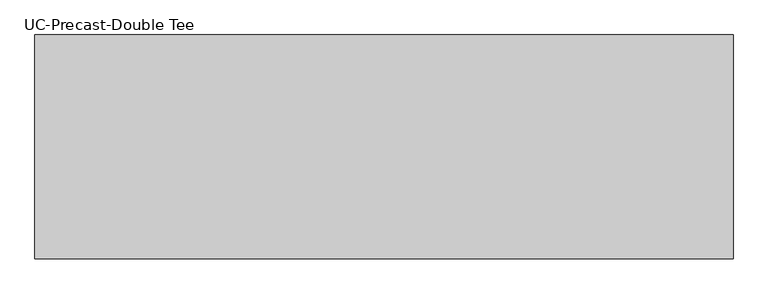
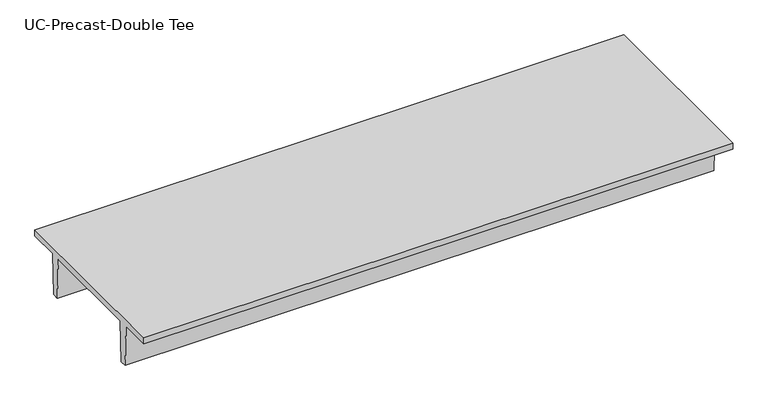
"""IFC4 building model written with IfcOpenShell, lengths in millimetres: beam geometry, UC-Precast-Double Tee."""

from ifc_helpers import new_model, si_unit, frame, origin, place, context, project, spatial, polyline, outline, extrude, source, transform, mapped, element, save


def uc_precast_double_tee_0f95edf0(model_context):
    return source(origin(), model_context, "Body", "SweptSolid", [
        extrude(outline(polyline([(1473.2, 381.0), (1473.2, 279.4), (990.6, 279.4), (965.2, -381.0), (863.6, -381.0), (838.2, 279.4), (-838.2, 279.4), (-863.6, -381.0), (-965.2, -381.0), (-990.6, 279.4), (-1473.2, 279.4), (-1473.2, 381.0), (1473.2, 381.0)])), frame((-4622.8, 0.0, 0.0), z_axis=(1.0, 0.0, 0.0), x_axis=(0.0, 1.0, 0.0)), (0.0, 0.0, 1.0), 9194.8),
    ])


if __name__ == "__main__":
    model = new_model("IFC4")
    model_context = context("Model", 3, world=origin())
    ifc_project = project(units=[si_unit("LENGTHUNIT", "METRE", prefix="MILLI")], contexts=[model_context])
    site = spatial("IfcSite", under=ifc_project)
    building = spatial("IfcBuilding", under=site)
    placement = place(None, origin())
    uc_precast_double_tee_shape = uc_precast_double_tee_0f95edf0(model_context)
    element("IfcBeam", 1, ObjectType="UC-Precast-Double Tee", at=placement, inside=building, context=model_context, shape_type="MappedRepresentation", body=[
        mapped(uc_precast_double_tee_shape, transform((0.0, 0.0, 0.0), x_axis=(1.0, 0.0, 0.0), y_axis=(0.0, 1.0, 0.0), z_axis=(0.0, 0.0, 1.0))),
    ])
    save(model, "model.ifc")
